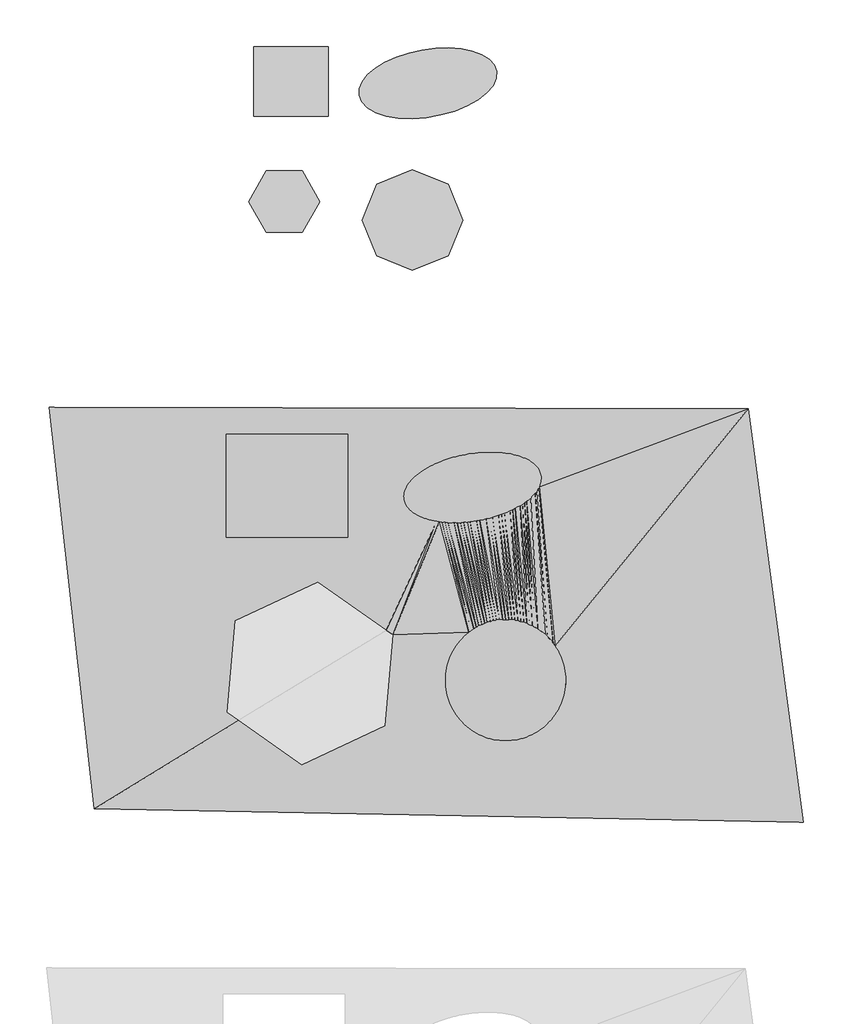
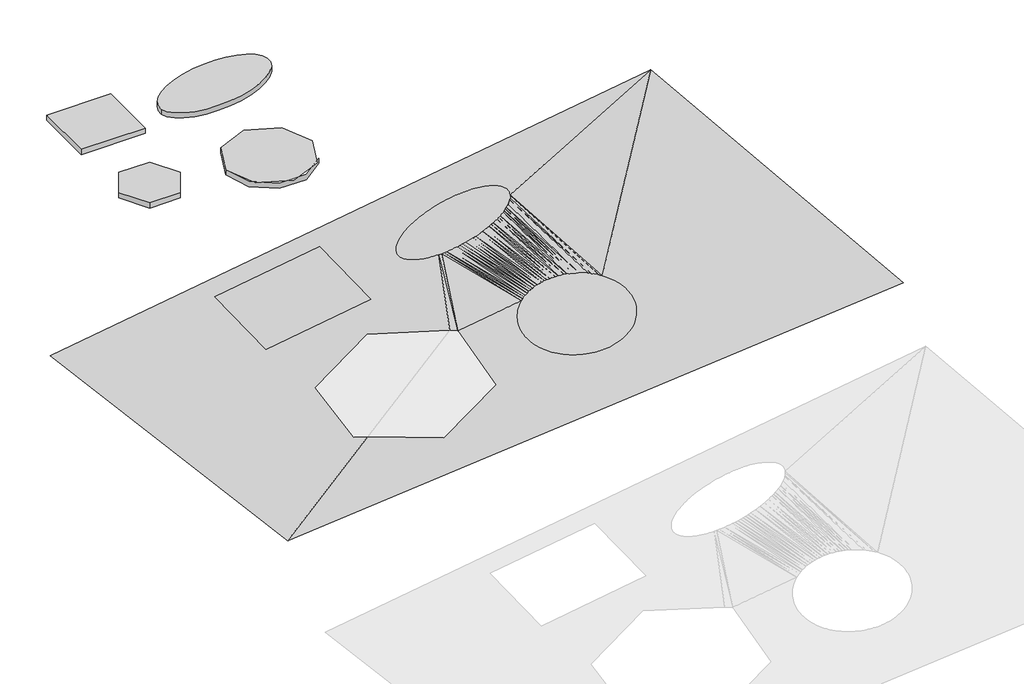
# Not in any storey, part 3 of 3: 6 proxies, 2 geographic elements.
"""IFC4 building model written with IfcOpenShell, lengths in millimetres."""

import ifcopenshell
import ifcopenshell.guid

model = None  # the IFC model being written
_history = None  # IfcOwnerHistory: only IFC2X3 demands one
_inside = {}  # id of a spatial element -> (the spatial element, [elements in it])
_under = {}  # id of a project, library or spatial element -> (it, [spatial elements below it])
_declared = {}  # id of a project -> (the project, [libraries it declares])
_typed = {}  # id of a type object -> (the type object, [elements of that type])
_made_of = {}  # id of a material, layer set ... -> (it, [elements and type objects made of it])


def new_model(schema):
    """Start an empty IFC model of exactly this schema.

    Asked for "IFC4X3", IfcOpenShell would pick the latest addendum, in which some entities
    have other attributes; the version numbers below select the first issue.
    IFC2X3 requires an IfcOwnerHistory on every rooted entity: one is made here for all.
    """
    global model, _history
    if schema == "IFC4X3":
        model = ifcopenshell.file(schema_version=(4, 3, 0, 0))
    else:
        model = ifcopenshell.file(schema=schema)
    _inside.clear()
    _under.clear()
    _declared.clear()
    _typed.clear()
    _made_of.clear()
    _history = None
    if model.schema == "IFC2X3":
        org = make("IfcOrganization", Name="unknown")
        user = make(
            "IfcPersonAndOrganization",
            ThePerson=make("IfcPerson", FamilyName="unknown"),
            TheOrganization=org,
        )
        app = make(
            "IfcApplication",
            ApplicationDeveloper=org,
            Version="unknown",
            ApplicationFullName="unknown",
            ApplicationIdentifier="unknown",
        )
        _history = make(
            "IfcOwnerHistory",
            OwningUser=user,
            OwningApplication=app,
            ChangeAction="ADDED",
            CreationDate=0,
        )
    return model


def make(cls, **values):
    """One entity of the class cls with the attributes given. An attribute that is None is left unset."""
    return model.create_entity(
        cls, **{name: value for name, value in values.items() if value is not None}
    )


def rooted(cls, **values):
    """An entity with a GlobalId (a new one), such as an element, a storey or a relation."""
    return make(cls, GlobalId=ifcopenshell.guid.new(), OwnerHistory=_history, **values)


def si_unit(unit_type, name, prefix=None):
    """IfcSIUnit, for example si_unit("LENGTHUNIT", "METRE", prefix="MILLI")."""
    return make("IfcSIUnit", UnitType=unit_type, Prefix=prefix, Name=name)


def assignment(units):
    """IfcUnitAssignment: the units of a project."""
    return None if units is None else make("IfcUnitAssignment", Units=units)


def point(xyz):
    """IfcCartesianPoint."""
    return None if xyz is None else make("IfcCartesianPoint", Coordinates=xyz)


def direction(xyz):
    """IfcDirection."""
    return None if xyz is None else make("IfcDirection", DirectionRatios=xyz)


def frame(location, z_axis=None, x_axis=None):
    """IfcAxis2Placement3D, a coordinate frame: its origin and axes. An axis left out is left unset."""
    return make(
        "IfcAxis2Placement3D",
        Location=point(location),
        Axis=direction(z_axis),
        RefDirection=direction(x_axis),
    )


def frame_2d(location, x_axis=None):
    """IfcAxis2Placement2D, a coordinate frame in the plane: its origin and x axis."""
    return make(
        "IfcAxis2Placement2D", Location=point(location), RefDirection=direction(x_axis)
    )


def origin():
    """The frame at (0, 0, 0) with its axes left unset."""
    return frame((0.0, 0.0, 0.0))


def origin_with_axes():
    """The frame at (0, 0, 0) with the z axis (0, 0, 1) and the x axis (1, 0, 0) written out."""
    return frame((0.0, 0.0, 0.0), z_axis=(0.0, 0.0, 1.0), x_axis=(1.0, 0.0, 0.0))


def place(relative_to, where):
    """IfcLocalPlacement: puts the frame where relative to a parent placement (None: the world)."""
    return make(
        "IfcLocalPlacement", PlacementRelTo=relative_to, RelativePlacement=where
    )


def context(
    kind, dimensions, precision=None, world=None, true_north=None, identifier=None
):
    """IfcGeometricRepresentationContext, for example the 3D "Model" context."""
    return make(
        "IfcGeometricRepresentationContext",
        ContextIdentifier=identifier,
        ContextType=kind,
        CoordinateSpaceDimension=dimensions,
        Precision=precision,
        WorldCoordinateSystem=world,
        TrueNorth=true_north,
    )


def project(units=None, contexts=None):
    """IfcProject with its units and contexts."""
    return rooted(
        "IfcProject",
        Name="project",
        RepresentationContexts=contexts,
        UnitsInContext=assignment(units),
    )


def spatial(cls, under=None, at=None, **own):
    """A site, building, storey or space (cls), placed at a placement, below another one or the project."""
    s = rooted(cls, ObjectPlacement=at, **own)
    if under is not None:
        _under.setdefault(under.id(), (under, []))[1].append(s)
    return s


def polyline(points):
    """IfcPolyline through the points."""
    return make("IfcPolyline", Points=[point(p) for p in points])


def point_list(points):
    """IfcCartesianPointList2D or 3D."""
    cls = (
        "IfcCartesianPointList2D" if len(points[0]) == 2 else "IfcCartesianPointList3D"
    )
    return make(cls, CoordList=points)


def circle_curve(where, radius):
    """IfcCircle in the frame where."""
    return make("IfcCircle", Position=where, Radius=radius)


def ellipse_curve(where, semi_axis1, semi_axis2):
    """IfcEllipse in the frame where."""
    return make(
        "IfcEllipse", Position=where, SemiAxis1=semi_axis1, SemiAxis2=semi_axis2
    )


def trimmed(basis, trim1, trim2, sense, master):
    """IfcTrimmedCurve: the piece of a basis curve between two trims."""
    return make(
        "IfcTrimmedCurve",
        BasisCurve=basis,
        Trim1=trim1,
        Trim2=trim2,
        SenseAgreement=sense,
        MasterRepresentation=master,
    )


def segment(curve, same_sense, transition):
    """IfcCompositeCurveSegment."""
    return make(
        "IfcCompositeCurveSegment",
        Transition=transition,
        SameSense=same_sense,
        ParentCurve=curve,
    )


def composite_curve(segments, self_intersect=None):
    """IfcCompositeCurve: segments joined end to end."""
    return make("IfcCompositeCurve", Segments=segments, SelfIntersect=self_intersect)


def outline(outer, holes=None, kind="AREA"):
    """IfcArbitraryClosedProfileDef: a profile drawn as a closed curve; with holes, ...WithVoids."""
    if holes is None:
        return make("IfcArbitraryClosedProfileDef", ProfileType=kind, OuterCurve=outer)
    return make(
        "IfcArbitraryProfileDefWithVoids",
        ProfileType=kind,
        OuterCurve=outer,
        InnerCurves=holes,
    )


def extrude(swept, where, along, depth):
    """IfcExtrudedAreaSolid: the profile swept, set in the frame where, extruded along a direction by depth."""
    return make(
        "IfcExtrudedAreaSolid",
        SweptArea=swept,
        Position=where,
        ExtrudedDirection=direction(along),
        Depth=depth,
    )


def triangles(points, corners, closed=None, point_numbers=None):
    """IfcTriangulatedFaceSet: each triangle names its three corners, points numbered from 1."""
    return make(
        "IfcTriangulatedFaceSet",
        Coordinates=point_list(points),
        Closed=closed,
        CoordIndex=corners,
        PnIndex=point_numbers,
    )


def shape(context_of_items, identifier, shape_type, items):
    """IfcShapeRepresentation: the items that make up one representation, for example the "Body"."""
    return make(
        "IfcShapeRepresentation",
        ContextOfItems=context_of_items,
        RepresentationIdentifier=identifier,
        RepresentationType=shape_type,
        Items=items,
    )


def source(mapping_origin, context_of_items, identifier, shape_type, items):
    """IfcRepresentationMap: a shape defined once, which mapped items show again and again."""
    return make(
        "IfcRepresentationMap",
        MappingOrigin=mapping_origin,
        MappedRepresentation=shape(context_of_items, identifier, shape_type, items),
    )


def transform(
    local_origin,
    x_axis=None,
    y_axis=None,
    z_axis=None,
    scale=None,
    scale2=None,
    scale3=None,
    uniform=True,
):
    """IfcCartesianTransformationOperator3D, or its non-uniform kind. x_axis, y_axis, z_axis: its Axis1, 2, 3."""
    if uniform:
        return make(
            "IfcCartesianTransformationOperator3D",
            Axis1=direction(x_axis),
            Axis2=direction(y_axis),
            LocalOrigin=point(local_origin),
            Scale=scale,
            Axis3=direction(z_axis),
        )
    return make(
        "IfcCartesianTransformationOperator3DnonUniform",
        Axis1=direction(x_axis),
        Axis2=direction(y_axis),
        LocalOrigin=point(local_origin),
        Scale=scale,
        Axis3=direction(z_axis),
        Scale2=scale2,
        Scale3=scale3,
    )


def mapped(mapping_source, mapping_target):
    """IfcMappedItem: shows the shape of a source again, moved by a transform."""
    return make(
        "IfcMappedItem", MappingSource=mapping_source, MappingTarget=mapping_target
    )


def made_of(thing, what):
    """Note that an element or type object is made of a material, layer set ...; save() writes the relation."""
    if what is not None:
        _made_of.setdefault(what.id(), (what, []))[1].append(thing)
    return thing


def element(
    cls,
    number,
    at=None,
    inside=None,
    cuts=None,
    type_object=None,
    material=None,
    context=None,
    identifier="Body",
    shape_type=None,
    held_by="IfcProductDefinitionShape",
    body=None,
    shapes=None,
    **own,
):
    """One element of the class cls, such as IfcWall. Its Tag is "e" and its number.

    at: its placement. inside: the storey or other place that contains it. cuts: it is an
    opening in that element (IfcRelVoidsElement). A single representation is given by context,
    identifier, shape_type and body (its items); several are given by shapes. held_by: the class
    of the entity that holds the representations. save() writes the other relations.
    """
    e = rooted(cls, Tag="e%d" % number, ObjectPlacement=at, **own)
    if body is not None:
        shapes = [shape(context, identifier, shape_type, body)]
    if shapes is not None:
        e.Representation = make(held_by, Representations=shapes)
    if inside is not None:
        _inside.setdefault(inside.id(), (inside, []))[1].append(e)
    if cuts is not None:
        rooted(
            "IfcRelVoidsElement", RelatingBuildingElement=cuts, RelatedOpeningElement=e
        )
    if type_object is not None:
        _typed.setdefault(type_object.id(), (type_object, []))[1].append(e)
    return made_of(e, material)


def aggregate(whole, parts):
    """IfcRelAggregates: a whole, such as a stair, and the parts it consists of."""
    return rooted("IfcRelAggregates", RelatingObject=whole, RelatedObjects=parts)


def save(model, path):
    """Write the relations noted so far, then the file.

    IfcRelAggregates (storeys below a building ...), IfcRelContainedInSpatialStructure (elements
    in a storey), IfcRelDefinesByType, IfcRelAssociatesMaterial and IfcRelDeclares: one each for
    every whole, place, type object, material and project.
    """
    for whole, parts in _under.values():
        aggregate(whole, parts)
    for where, things in _inside.values():
        rooted(
            "IfcRelContainedInSpatialStructure",
            RelatedElements=things,
            RelatingStructure=where,
        )
    for kind, things in _typed.values():
        rooted("IfcRelDefinesByType", RelatedObjects=things, RelatingType=kind)
    for what, things in _made_of.values():
        rooted("IfcRelAssociatesMaterial", RelatedObjects=things, RelatingMaterial=what)
    for by, libraries in _declared.values():
        rooted("IfcRelDeclares", RelatingContext=by, RelatedDefinitions=libraries)
    model.write(path)


def plane_surface(at):
    """IfcPlane: the flat surface through the origin of the frame at, square to its z axis."""
    return make("IfcPlane", Position=at)


def extruded_surface(curve, direction_of_extrusion, depth):
    """IfcSurfaceOfLinearExtrusion: the curve pushed along a direction by depth."""
    return make(
        "IfcSurfaceOfLinearExtrusion",
        SweptCurve=make("IfcArbitraryOpenProfileDef", ProfileType="CURVE", Curve=curve),
        ExtrudedDirection=direction(direction_of_extrusion),
        Depth=depth,
    )


def advanced_brep(points, edges, surfaces, faces):
    """IfcAdvancedBrep: a solid bounded by faces that lie on surfaces and meet in shared edges.

    An edge is (start, end): straight between two places in points (the first is 0);
    or (start, end, curve); or (start, end, curve, False) where it runs against its curve.
    A face is (place in surfaces, loops), or (place, loops, False) where it looks against
    its surface's normal. A loop lists edges by number (the first is 1), with a minus sign
    where the edge is run from its end to its start. The first loop is the outer one.
    """
    corners = [point(p) for p in points]
    vertices = [make("IfcVertexPoint", VertexGeometry=c) for c in corners]
    made = []
    for start, end, *more in edges:
        made.append(
            make(
                "IfcEdgeCurve",
                EdgeStart=vertices[start],
                EdgeEnd=vertices[end],
                EdgeGeometry=more[0] if more else make("IfcPolyline", Points=[corners[start], corners[end]]),
                SameSense=more[1] if len(more) > 1 else True,
            )
        )
    hull = []
    for where, loops, *sense in faces:
        bounds = []
        for j, loop in enumerate(loops):
            ring = [make("IfcOrientedEdge", EdgeElement=made[abs(k) - 1], Orientation=k > 0) for k in loop]
            bounds.append(
                make(
                    "IfcFaceOuterBound" if j == 0 else "IfcFaceBound",
                    Bound=make("IfcEdgeLoop", EdgeList=ring),
                    Orientation=True,
                )
            )
        hull.append(make("IfcAdvancedFace", Bounds=bounds, FaceSurface=surfaces[where], SameSense=sense[0] if sense else True))
    return make("IfcAdvancedBrep", Outer=make("IfcClosedShell", CfsFaces=hull))


def generic_models_edd80eac(model_context):
    return source(origin(), model_context, "Body", "SweptSolid", [
        extrude(outline(polyline([(231497.4105811, 220873.9561547), (242997.4105811, 200955.3718676), (231497.4105811, 181036.7875806), (208497.4105811, 181036.7875806), (196997.4105811, 200955.3718676), (208497.4105811, 220873.9561547), (231497.4105811, 220873.9561547)])), origin_with_axes(), (0.0, 0.0, 1.0), 4000.0),
    ])


def generic_models_cbb0d283(model_context):
    return source(origin(), model_context, "Body", "SweptSolid", [
        extrude(outline(composite_curve([segment(trimmed(circle_curve(frame_2d((302578.64399, 189042.1903095)), 32451.7414879), [point((270126.9025021, 189042.1903095))], [point((335030.3854778, 189042.1903095))], False, "CARTESIAN"), True, "CONTINUOUS"), segment(trimmed(circle_curve(frame_2d((302578.64399, 189042.1903095)), 32451.7414879), [point((335030.3854778, 189042.1903095))], [point((270126.9025021, 189042.1903095))], False, "CARTESIAN"), True, "CONTINUOUS")], self_intersect=False)), origin_with_axes(), (0.0, 0.0, 1.0), 4000.0),
    ])


def generic_models_ac164f7c(model_context):
    return source(origin(), model_context, "Body", "AdvancedBrep", [
        advanced_brep(
        [(356798.4629673, 284942.998555, 4000.0), (268165.7651962, 269314.662565, 4000.0), (356798.4629673, 284942.998555, 0.0), (268165.7651962, 269314.662565, 0.0)],
        [
            (0, 1, ellipse_curve(frame((312482.1140817, 277128.83056, 4000.0), z_axis=(0.0, 0.0, 1.0), x_axis=(-0.9848077530122081, -0.17364817766693005, 0.0)), 45000.0, 21708.2255166)),
            (1, 0, ellipse_curve(frame((312482.1140817, 277128.83056, 4000.0), z_axis=(0.0, 0.0, 1.0), x_axis=(-0.9848077530122081, -0.17364817766693005, 0.0)), 45000.0, 21708.2255166)),
            (2, 3, ellipse_curve(frame((312482.1140817, 277128.83056, 0.0), z_axis=(0.0, 0.0, -1.0), x_axis=(-0.9848077530122081, -0.17364817766693005, 0.0)), 45000.0, 21708.2255166)),
            (3, 2, ellipse_curve(frame((312482.1140817, 277128.83056, 0.0), z_axis=(0.0, 0.0, -1.0), x_axis=(-0.9848077530122081, -0.17364817766693005, 0.0)), 45000.0, 21708.2255166)),
            (0, 2),
            (3, 1),
        ],
        [
            plane_surface(frame((268165.7651962, 269314.662565, 4000.0), z_axis=(0.0, 0.0, 1.0), x_axis=(0.17364817766693005, -0.9848077530122081, 0.0))),
            plane_surface(frame((268165.7651962, 269314.662565, 0.0), z_axis=(0.0, 0.0, -1.0), x_axis=(-0.17364817766693005, 0.9848077530122081, 0.0))),
            extruded_surface(trimmed(ellipse_curve(frame((312482.1140817, 277128.83056, -4000.0), z_axis=(0.0, 0.0, 1.0), x_axis=(-0.9848077530122081, -0.17364817766693005, 0.0)), 45000.0, 21708.2255166), [point((356798.4629673, 284942.998555, -4000.0))], [point((268165.7651962, 269314.662565, -4000.0))], True, "CARTESIAN"), (0.0, 0.0, 4000.0), 4000.0),
            extruded_surface(trimmed(ellipse_curve(frame((312482.1140817, 277128.83056, -4000.0), z_axis=(0.0, 0.0, 1.0), x_axis=(-0.9848077530122081, -0.17364817766693005, 0.0)), 45000.0, 21708.2255166), [point((268165.7651962, 269314.662565, -4000.0))], [point((356798.4629673, 284942.998555, -4000.0))], True, "CARTESIAN"), (0.0, 0.0, 4000.0), 4000.0),
        ],
        [
            (0, [[1, 2]]),
            (1, [[3, 4]]),
            (2, [[-1, 5, -4, 6]]),
            (3, [[-2, -6, -3, -5]]),
        ],
    ),
    ])


def geographic_element_76014547(model_context):
    return source(origin(), model_context, "Body", "SweptSolid", [
        extrude(outline(polyline([(248279.9858161, 300750.4017671), (248279.9858161, 255750.4017671), (200279.9858161, 255750.4017671), (200279.9858161, 300750.4017671), (248279.9858161, 300750.4017671)])), origin_with_axes(), (0.0, 0.0, 1.0), 4000.0),
    ])


model = new_model("IFC4")

# Units and contexts
model_context = context("Model", 3, world=origin())
ifc_project = project(units=[si_unit("LENGTHUNIT", "METRE", prefix="MILLI")], contexts=[model_context])

# Site, building
site = spatial("IfcSite", under=ifc_project)
building = spatial("IfcBuilding", under=site)

# Proxies
placement = place(None, origin())
element("IfcBuildingElementProxy", 1, Name="Building Element Proxy", at=placement, inside=building, context=model_context, shape_type="Tessellation", body=[
    triangles([(68778.4018433, 68462.9559814, 0.0), (97622.9621338, -190176.6522949, 0.0), (554328.5830078, -198830.0217773, 49999.9992188), (518753.6381836, 67501.4704834, 70000.0016968), (261222.8273438, 51441.2321777, 29649.1995483), (261222.8273438, -15558.7689148, 28486.528656), (182222.8308105, -15558.7689148, 16194.03479), (182222.8308105, 51441.2321777, 17356.7056824), (241677.7505859, -44292.9940796, 24946.6586792), (285684.6458496, -75106.9504395, 31259.4593994), (289917.3921387, -78070.7509277, 31463.493457), (284784.8124023, -136736.3886475, 25616.1131653), (231412.5911133, -161624.2555664, 17443.4213196), (190782.6246094, -133174.8479004, 15484.9234222), (183172.9495605, -127846.5033691, 14393.3133087), (188305.5292969, -69180.8656494, 16209.9907928), (323553.6459961, -107345.9407471, 32570.1282349), (323603.7266602, -105370.619458, 32753.3658875), (323753.7454102, -103400.3769287, 32947.2633545), (324003.4045898, -101440.2547119, 33151.3229919), (324351.9972656, -99495.3036621, 33365.0215759), (324798.6304688, -97570.490918, 33587.8103027), (325342.2251953, -95670.7836182, 33819.1194397), (325981.3303711, -93801.0372803, 34058.3513489), (326714.3088867, -91966.0609131, 34304.8944397), (327539.2631836, -90170.5705078, 34558.1161926), (328454.146875, -88419.1611328, 34817.3654846), (329456.5415039, -86716.3441406, 35081.97724), (330543.8797852, -85066.4820557, 35351.270105), (331713.4083984, -83473.8071777, 35624.5557495), (332962.0763672, -81942.4122803, 35901.1318909), (334286.7210938, -80476.2320068, 36180.28927), (335683.9567383, -79079.0242676, 36461.3093262), (337150.1370117, -77754.3748901, 36743.4711731), (338681.5040039, -76505.6883179, 37026.0515991), (340274.1881836, -75336.1690063, 37308.3250671), (341924.0595703, -74248.8167725, 37589.56604), (343626.8765625, -73246.4221436, 37869.0536316), (345378.2859375, -72331.5663574, 38146.069281), (347173.7856445, -71506.5888062, 38419.9014038), (349008.7620117, -70773.6102905, 38689.8500427), (350878.4897461, -70134.5097656, 38955.2198914), (352778.2063477, -69590.9336426, 39215.3272705), (354703.0004883, -69144.2725342, 39469.5117554), (356647.9608398, -68795.6752075, 39717.1152466), (358608.1016602, -68546.0392822, 39957.5005737), (360578.3255859, -68395.9972778, 40190.0584717), (362553.646875, -68345.9398682, 40414.1843262), (364528.9681641, -68395.9972778, 40629.3060791), (366499.2292969, -68546.0392822, 40834.8702759), (368459.3329102, -68795.6752075, 41030.3513672), (370404.2932617, -69144.2725342, 41215.2424072), (372329.0874023, -69590.9336426, 41389.0736572), (374228.8040039, -70134.5097656, 41551.3986328), (376098.5689453, -70773.6102905, 41701.8034058), (377933.5453125, -71506.5888062, 41839.8926514), (379729.0078125, -72331.5663574, 41965.3222046), (381480.4171875, -73246.4221436, 42077.761853), (383183.2341797, -74248.8167725, 42176.9278931), (384833.1055664, -75336.1690063, 42262.5598755), (386425.7897461, -76505.6883179, 42334.4485107), (387957.1939453, -77754.3748901, 42392.3984619), (389423.3742187, -79079.0242676, 42436.2702026), (390820.5726563, -80476.2320068, 42465.9428101), (392145.2173828, -81942.4122803, 42481.346521), (393393.9225586, -83473.8071777, 42482.4394775), (394563.4139648, -85066.4820557, 42469.2170288), (395650.7894531, -86716.3441406, 42441.7163818), (396653.184082, -88419.1611328, 42400.0026489), (397568.0305664, -90170.5705078, 42344.1874512), (398393.0220703, -91966.0609131, 42274.4149658), (399126.0005859, -93801.0372803, 42190.8665771), (399765.0685547, -95670.7836182, 42093.7469238), (400308.6632812, -97570.490918, 41983.3118042), (400755.3336914, -99495.3036621, 41859.8449219), (401103.9263672, -101440.2547119, 41723.6625366), (401353.5483398, -103400.3769287, 41575.1134644), (401503.6042969, -105370.619458, 41414.583728), (401553.6477539, -107345.9407471, 41242.4779541), (401503.6042969, -109321.2620361, 41059.2379761), (401353.5483398, -111291.5045654, 40865.3428345), (401103.9263672, -113251.6267822, 40661.2808716), (400755.3336914, -115196.5871338, 40447.5822876), (400308.6632812, -117121.3905762, 40224.7958862), (399765.0685547, -119021.1071777, 39993.4844238), (399126.0005859, -120890.8442139, 39754.2525146), (398393.0220703, -122725.8205811, 39507.7094238), (397568.0305664, -124521.3109863, 39254.4876709), (396653.184082, -126272.7203613, 38995.2407043), (395650.7894531, -127975.5373535, 38730.628949), (394563.4139648, -129625.3994385, 38461.3337585), (393393.9225586, -131218.0743164, 38188.048114), (392145.2173828, -132749.4692139, 37911.4719727), (390820.5726563, -134215.6494873, 37632.3169189), (389423.3742187, -135612.8572266, 37351.2968628), (387957.1939453, -136937.5112549, 37069.1326904), (386425.7897461, -138186.1978271, 36786.5522644), (384833.1055664, -139355.7171387, 36504.2811218), (383183.2341797, -140443.0647217, 36223.0401489), (381480.4171875, -141445.4593506, 35943.5525574), (379729.0078125, -142360.3151367, 35666.536908), (377933.5453125, -143185.2973389, 35392.7024597), (376098.5689453, -143918.2758545, 35122.7561462), (374228.8040039, -144557.3717285, 34857.3862976), (372329.0874023, -145100.9478516, 34597.276593), (370404.2932617, -145547.60896, 34343.0944336), (368459.3329102, -145896.2109375, 34095.4909424), (366499.2292969, -146145.8422119, 33855.1032898), (364528.9681641, -146295.8888672, 33622.5477173), (362553.646875, -146345.941626, 33398.4218628), (360578.3255859, -146295.8888672, 33183.3001099), (358608.1016602, -146145.8422119, 32977.7359131), (356647.9608398, -145896.2109375, 32782.2571472), (354703.0004883, -145547.60896, 32597.3637817), (352778.2063477, -145100.9478516, 32423.5302063), (350878.4897461, -144557.3717285, 32261.2052307), (349008.7620117, -143918.2758545, 32110.8027832), (347173.7856445, -143185.2973389, 31972.7112122), (345378.2859375, -142360.3151367, 31847.2863098), (343626.8765625, -141445.4593506, 31734.8443359), (341924.0595703, -140443.0647217, 31635.6806213), (340274.1881836, -139355.7171387, 31550.043988), (338681.5040039, -138186.1978271, 31478.1576782), (337150.1370117, -136937.5112549, 31420.2054016), (335683.9567383, -135612.8572266, 31376.3359863), (334286.7210938, -134215.6494873, 31346.6610535), (332962.0763672, -132749.4692139, 31331.2573425), (331713.4083984, -131218.0743164, 31330.1667114), (330543.8797852, -129625.3994385, 31343.3891602), (329456.5415039, -127975.5373535, 31370.8898071), (328454.146875, -126272.7203613, 31412.6012146), (327539.2631836, -124521.3109863, 31468.4164124), (326714.3088867, -122725.8205811, 31538.1888977), (325981.3303711, -120890.8442139, 31621.7419373), (325342.2251953, -119021.1071777, 31718.8592651), (324798.6304688, -117121.3905762, 31829.2920593), (324351.9972656, -115196.5871338, 31952.7589417), (324003.4045898, -113251.6267822, 32088.9413269), (323753.7454102, -111291.5045654, 32237.4903992), (323603.7266602, -109321.2620361, 32398.0224609), (385584.2783203, 24648.8466248, 48535.0560791), (385712.2705078, 23638.2036621, 48537.4326782), (385742.5570313, 22612.6034729, 48524.3497559), (385675.0634766, 21574.3017334, 48495.8305664), (385509.9758789, 20525.5843506, 48451.9402222), (385247.6291016, 19468.7500214, 48392.7810425), (384888.58125, 18406.1276733, 48318.4739502), (384433.6880859, 17340.0497223, 48229.1910278), (383883.8797852, 16272.8613739, 48125.1183105), (383240.3841797, 15206.9078339, 48006.4929932), (382504.6523438, 14144.5331451, 47873.5755249), (381678.2469727, 13088.0708862, 47726.6542603), (380763.028418, 12039.8453339, 47566.0547607), (379760.9686523, 11002.1598358, 47392.1258423), (378674.3000977, 9977.2944855, 47205.2581787), (377505.4412109, 8967.5043777, 47005.8517456), (376256.8848633, 7975.0074005, 46794.3530273), (374931.421582, 7001.9865601, 46571.2271118), (373531.9535156, 6050.5795166, 46336.9576904), (372061.5688477, 5122.8780029, 46092.0656616), (370523.5045898, 4220.9220108, 45837.0905273), (368921.109375, 3346.6936867, 45572.5857422), (367257.9550781, 2502.1150063, 45299.1373169), (365537.6507813, 1689.0423969, 45017.3498657), (363763.9916016, 909.2630316, 44727.8326538), (361940.8842773, 164.4912678, 44431.2321533), (360072.347168, -543.6358214, 44128.1948364), (358162.4730469, -1213.5616087, 43819.3904297), (356215.4291016, -1843.8134731, 43505.4933105), (354235.5685547, -2433.0058525, 43187.19646), (352227.1702148, -2979.8436951, 42865.2021606), (350194.6989258, -3483.1251846, 42540.2126953), (348142.6195313, -3941.743412, 42212.9442993), (346075.396875, -4354.6905899, 41884.1178589), (343997.6074219, -4721.0589249, 41554.4542603), (341913.8276367, -5040.0435242, 41224.6836914), (339828.6339844, -5310.9421051, 40895.5223877), (337746.6029297, -5533.1599365, 40567.6958862), (335672.3109375, -5706.2086761, 40241.934375), (333610.2972656, -5829.7075333, 39918.9401367), (331565.1383789, -5903.3850128, 39599.4340576), (329541.3363281, -5927.0794968, 39284.1091187), (327543.281543, -5900.7386627, 38973.6676025), (325575.3644531, -5824.4200653, 38668.7885376), (323641.9754883, -5698.2922989, 38370.139325), (321747.35625, -5522.6320908, 38078.378064), (319895.5995117, -5297.8254639, 37794.1465759), (318090.8724609, -5024.3671555, 37518.0704041), (316337.0446289, -4702.8577103, 37250.756488), (314638.0599609, -4334.0040619, 36992.7908386), (312997.6019531, -3918.6172073, 36744.740863), (311419.2796875, -3457.6098816, 36507.1530396), (309906.5720215, -2951.9956856, 36280.550592), (308462.8089844, -2402.8863247, 36065.4265137), (307091.1717773, -1811.4884113, 35862.259845), (305794.6369629, -1179.1023022, 35671.4924194), (304576.0880859, -507.1179196, 35493.547467), (303438.2040527, 202.9874645, 35328.8133362), (302383.4777344, 949.6529354, 35177.6527954), (301414.2159668, 1731.2372051, 35040.3983826), (300532.5767578, 2546.0219193, 34917.3524048), (299740.4762695, 3392.2164894, 34808.784613), (299039.6632324, 4267.960128, 34714.9322021), (298431.6631348, 5171.3285339, 34636.0067871), (297917.8526367, 6100.3352005, 34572.1757996), (297499.3107422, 7052.9386826, 34523.5810913), (297176.9862305, 8027.0443405, 34490.331958), (296951.5860352, 9020.511026, 34472.5004883), (296823.6124512, 10031.1551514, 34470.1238892), (296793.3259277, 11056.7541779, 34483.209137), (296860.8194824, 12095.0547546, 34511.7283264), (297025.9070801, 13143.7744629, 34555.6163452), (297288.2724609, 14200.6076294, 34614.7778503), (297647.301709, 15263.2299774, 34689.0849426), (298102.2134766, 16329.3079285, 34778.3701904), (298652.0217773, 17396.4962769, 34882.4382568), (299295.4987793, 18462.4498169, 35001.0635742), (300031.2492187, 19524.8245056, 35133.9833679), (300857.6359863, 20581.2856018, 35280.9046326), (301772.8731445, 21629.5123169, 35441.5041321), (302774.9143066, 22667.1978149, 35615.4307251), (303861.5642578, 23692.0631653, 35802.3007141), (305030.4603516, 24701.8526917, 36001.7048218), (306278.9980957, 25694.3502502, 36213.20354), (307604.461377, 26667.3722534, 36436.331781), (309003.9294434, 27618.7792969, 36670.598877), (310474.3141113, 28546.4784851, 36915.4909058), (312012.3783691, 29448.4350586, 37170.4683655), (313614.7549805, 30322.663092, 37434.9731506), (315277.9464844, 31167.2417725, 37708.4192505), (316998.2507813, 31980.3153992, 37990.2113525), (318771.8727539, 32760.0957092, 38279.7239136), (320594.9800781, 33504.8665283, 38576.3267395), (322463.5543945, 34212.9930725, 38879.361731), (324373.4285156, 34882.9196228, 39188.1661377), (326320.4352539, 35513.1718506, 39502.0632568), (328300.3330078, 36102.3637939, 39820.3601074), (330308.6941406, 36649.2025085, 40142.3544067), (332341.2026367, 37152.4834167, 40467.3438721), (334393.2820313, 37611.1019348, 40794.6122681), (336460.5046875, 38024.048822, 41123.4387085), (338538.2569336, 38390.417157, 41453.1023071), (340622.0367188, 38709.4000122, 41782.8775269), (342707.2675781, 38980.2997559, 42112.0388306), (344789.2986328, 39202.51875, 42439.8606812), (346863.590625, 39375.5686523, 42765.6268433), (348925.5670898, 39499.0634399, 43088.6164307), (350970.7259766, 39572.7426636, 43408.1271606), (352994.5652344, 39596.4388916, 43723.4474487), (354992.6200195, 39570.0963135, 44033.8889648), (356960.4999023, 39493.7800415, 44338.7726807), (358893.8888672, 39367.6482056, 44637.4195679), (360788.5453125, 39191.9891602, 44929.1785034), (362640.2648437, 38967.1842773, 45213.4123169), (364445.0291016, 38693.7242249, 45489.4884888), (366198.8197266, 38372.2159424, 45756.8024048), (367897.8416016, 38003.3617126, 46014.7680542), (369538.2996094, 37587.9754395, 46262.8180298), (371116.584668, 37126.9686951, 46500.4035278), (372629.3109375, 36621.3530457, 46727.0083008), (374073.0553711, 36072.2447021, 46942.1300537), (375444.7297852, 35480.8459167, 47145.2990479), (376741.2459961, 34848.4589355, 47336.0641479), (377959.7762695, 34176.4766968, 47514.0114258), (379097.6789062, 33466.3712036, 47678.7455566), (380152.4238281, 32719.7051514, 47829.9084229), (381121.6669922, 31938.1203003, 47967.1605103), (382003.3248047, 31123.3351501, 48090.2088135), (382795.425293, 30277.1402893, 48198.7742798), (383496.2197266, 29401.3983948, 48292.6243652), (384104.2198242, 28498.0302795, 48371.5544312), (384618.0489258, 27569.0218689, 48435.3830933), (385036.5908203, 26616.4195496, 48483.9754761), (385358.878125, 25642.3138916, 48517.2246094)], [[2, 14, 15], [14, 2, 13], [132, 12, 131], [13, 117, 118], [11, 12, 17], [12, 140, 17], [17, 18, 11], [12, 139, 140], [2, 15, 16], [134, 135, 12], [132, 133, 12], [134, 12, 133], [137, 138, 12], [136, 137, 12], [139, 12, 138], [135, 136, 12], [12, 13, 118], [19, 11, 18], [16, 9, 7], [9, 10, 6], [11, 188, 10], [6, 7, 9], [10, 194, 6], [186, 36, 185], [187, 35, 186], [11, 35, 187], [2, 16, 1], [22, 11, 21], [24, 11, 23], [23, 11, 22], [25, 26, 11], [11, 24, 25], [184, 38, 183], [27, 11, 26], [37, 184, 185], [21, 11, 20], [19, 20, 11], [1, 16, 7], [129, 130, 12], [127, 128, 12], [129, 12, 128], [30, 11, 29], [29, 11, 28], [130, 131, 12], [120, 121, 12], [118, 119, 12], [120, 12, 119], [125, 126, 12], [123, 124, 12], [122, 123, 12], [125, 12, 124], [121, 122, 12], [127, 12, 126], [32, 11, 31], [34, 11, 33], [33, 11, 32], [39, 181, 182], [41, 179, 180], [180, 181, 40], [35, 11, 34], [11, 30, 31], [185, 36, 37], [182, 183, 38], [184, 37, 38], [39, 40, 181], [182, 38, 39], [179, 42, 178], [41, 180, 40], [177, 178, 42], [186, 35, 36], [28, 11, 27], [13, 2, 3], [208, 6, 207], [206, 6, 205], [206, 207, 6], [211, 6, 210], [6, 209, 210], [212, 6, 211], [209, 6, 208], [199, 6, 198], [197, 6, 196], [197, 198, 6], [204, 6, 203], [202, 6, 201], [201, 6, 200], [6, 202, 203], [200, 6, 199], [6, 204, 205], [212, 213, 5], [214, 215, 5], [213, 214, 5], [1, 8, 5], [8, 1, 7], [5, 216, 217], [216, 5, 215], [1, 5, 4], [212, 5, 6], [217, 218, 5], [219, 220, 5], [218, 219, 5], [221, 222, 5], [224, 225, 5], [223, 224, 5], [222, 223, 5], [220, 221, 5], [5, 225, 226], [6, 195, 196], [195, 6, 194], [191, 192, 10], [10, 193, 194], [226, 227, 5], [228, 229, 5], [227, 228, 5], [187, 188, 11], [43, 176, 177], [189, 190, 10], [45, 174, 175], [46, 173, 174], [175, 176, 44], [188, 189, 10], [191, 10, 190], [230, 231, 5], [232, 233, 5], [231, 232, 5], [234, 235, 5], [237, 238, 5], [236, 237, 5], [235, 236, 5], [233, 234, 5], [239, 240, 5], [241, 242, 5], [240, 241, 5], [243, 244, 5], [246, 247, 5], [245, 246, 5], [244, 245, 5], [242, 243, 5], [238, 239, 5], [229, 230, 5], [10, 192, 193], [5, 247, 248], [179, 41, 42], [113, 13, 112], [110, 111, 3], [13, 111, 112], [116, 117, 13], [115, 13, 114], [116, 13, 115], [114, 13, 113], [108, 109, 3], [106, 107, 3], [108, 3, 107], [104, 105, 3], [102, 103, 3], [101, 102, 3], [104, 3, 103], [106, 3, 105], [110, 3, 109], [55, 56, 160], [57, 58, 158], [56, 57, 159], [44, 176, 43], [53, 54, 163], [55, 162, 54], [99, 100, 3], [97, 98, 3], [99, 3, 98], [59, 60, 155], [153, 61, 62], [154, 60, 61], [97, 3, 96], [58, 59, 157], [101, 3, 100], [43, 177, 42], [94, 95, 3], [92, 93, 3], [94, 3, 93], [90, 91, 3], [88, 89, 3], [90, 3, 89], [92, 3, 91], [86, 87, 3], [85, 3, 84], [3, 85, 86], [87, 88, 3], [83, 84, 3], [81, 82, 3], [80, 81, 3], [83, 3, 82], [3, 79, 80], [95, 96, 3], [4, 67, 68], [4, 69, 70], [4, 68, 69], [151, 63, 64], [149, 65, 66], [150, 64, 65], [66, 67, 148], [76, 77, 3], [78, 79, 3], [77, 78, 3], [4, 71, 72], [74, 75, 3], [4, 73, 74], [4, 72, 73], [76, 3, 75], [4, 70, 71], [63, 152, 62], [13, 3, 111], [3, 4, 74], [45, 46, 174], [175, 44, 45], [46, 172, 173], [171, 172, 47], [48, 170, 171], [49, 168, 169], [169, 170, 49], [172, 46, 47], [50, 167, 168], [51, 52, 166], [50, 51, 167], [48, 49, 170], [48, 171, 47], [51, 166, 167], [168, 49, 50], [166, 52, 165], [52, 164, 165], [252, 253, 4], [254, 255, 4], [253, 254, 4], [250, 5, 249], [250, 251, 4], [250, 4, 5], [252, 4, 251], [164, 52, 53], [163, 54, 162], [53, 163, 164], [256, 257, 4], [258, 259, 4], [257, 258, 4], [55, 161, 162], [255, 256, 4], [160, 161, 55], [56, 159, 160], [58, 157, 158], [158, 159, 57], [59, 155, 156], [61, 153, 154], [154, 155, 60], [156, 157, 59], [63, 151, 152], [149, 66, 148], [150, 151, 64], [146, 147, 4], [144, 145, 4], [143, 144, 4], [146, 4, 145], [148, 4, 147], [152, 153, 62], [265, 266, 4], [267, 268, 4], [266, 267, 4], [260, 261, 4], [263, 264, 4], [262, 263, 4], [261, 262, 4], [265, 4, 264], [273, 274, 4], [141, 142, 4], [274, 141, 4], [269, 270, 4], [271, 272, 4], [4, 272, 273], [271, 4, 270], [269, 4, 268], [142, 143, 4], [260, 4, 259], [149, 150, 65], [4, 148, 67], [249, 5, 248]], closed=False),
])
element("IfcBuildingElementProxy", 2, Name="Building Element Proxy", at=placement, inside=building, context=model_context, shape_type="Tessellation", body=[
    triangles([(323553.6459961, -107345.9407471, 32570.1282349), (323603.7266602, -109321.2620361, 32398.0224609), (323753.7454102, -111291.5045654, 32237.4903992), (324003.4045898, -113251.6267822, 32088.9413269), (324351.9972656, -115196.5871338, 31952.7589417), (324798.6304688, -117121.3905762, 31829.2920593), (325342.2251953, -119021.1071777, 31718.8592651), (325981.3303711, -120890.8442139, 31621.7419373), (326714.3088867, -122725.8205811, 31538.1888977), (327539.2631836, -124521.3109863, 31468.4164124), (328454.146875, -126272.7203613, 31412.6012146), (329456.5415039, -127975.5373535, 31370.8898071), (330543.8797852, -129625.3994385, 31343.3891602), (331713.4083984, -131218.0743164, 31330.1667114), (332962.0763672, -132749.4692139, 31331.2573425), (334286.7210938, -134215.6494873, 31346.6610535), (335683.9567383, -135612.8572266, 31376.3359863), (337150.1370117, -136937.5112549, 31420.2054016), (338681.5040039, -138186.1978271, 31478.1576782), (340274.1881836, -139355.7171387, 31550.043988), (341924.0595703, -140443.0647217, 31635.6806213), (343626.8765625, -141445.4593506, 31734.8443359), (345378.2859375, -142360.3151367, 31847.2863098), (347173.7856445, -143185.2973389, 31972.7112122), (349008.7620117, -143918.2758545, 32110.8027832), (350878.4897461, -144557.3717285, 32261.2052307), (352778.2063477, -145100.9478516, 32423.5302063), (354703.0004883, -145547.60896, 32597.3637817), (356647.9608398, -145896.2109375, 32782.2571472), (358608.1016602, -146145.8422119, 32977.7359131), (360578.3255859, -146295.8888672, 33183.3001099), (362553.646875, -146345.941626, 33398.4218628), (364528.9681641, -146295.8888672, 33622.5477173), (366499.2292969, -146145.8422119, 33855.1032898), (368459.3329102, -145896.2109375, 34095.4909424), (370404.2932617, -145547.60896, 34343.0944336), (372329.0874023, -145100.9478516, 34597.276593), (374228.8040039, -144557.3717285, 34857.3862976), (376098.5689453, -143918.2758545, 35122.7561462), (377933.5453125, -143185.2973389, 35392.7024597), (379729.0078125, -142360.3151367, 35666.536908), (381480.4171875, -141445.4593506, 35943.5525574), (383183.2341797, -140443.0647217, 36223.0401489), (384833.1055664, -139355.7171387, 36504.2811218), (386425.7897461, -138186.1978271, 36786.5522644), (387957.1939453, -136937.5112549, 37069.1326904), (389423.3742187, -135612.8572266, 37351.2968628), (390820.5726563, -134215.6494873, 37632.3169189), (392145.2173828, -132749.4692139, 37911.4719727), (393393.9225586, -131218.0743164, 38188.048114), (394563.4139648, -129625.3994385, 38461.3337585), (395650.7894531, -127975.5373535, 38730.628949), (396653.184082, -126272.7203613, 38995.2407043), (397568.0305664, -124521.3109863, 39254.4876709), (398393.0220703, -122725.8205811, 39507.7094238), (399126.0005859, -120890.8442139, 39754.2525146), (399765.0685547, -119021.1071777, 39993.4844238), (400308.6632812, -117121.3905762, 40224.7958862), (400755.3336914, -115196.5871338, 40447.5822876), (401103.9263672, -113251.6267822, 40661.2808716), (401353.5483398, -111291.5045654, 40865.3428345), (401503.6042969, -109321.2620361, 41059.2379761), (401553.6477539, -107345.9407471, 41242.4779541), (401503.6042969, -105370.619458, 41414.583728), (401353.5483398, -103400.3769287, 41575.1134644), (401103.9263672, -101440.2547119, 41723.6625366), (400755.3336914, -99495.3036621, 41859.8449219), (400308.6632812, -97570.490918, 41983.3118042), (399765.0685547, -95670.7836182, 42093.7469238), (399126.0005859, -93801.0372803, 42190.8665771), (398393.0220703, -91966.0609131, 42274.4149658), (397568.0305664, -90170.5705078, 42344.1874512), (396653.184082, -88419.1611328, 42400.0026489), (395650.7894531, -86716.3441406, 42441.7163818), (394563.4139648, -85066.4820557, 42469.2170288), (393393.9225586, -83473.8071777, 42482.4394775), (392145.2173828, -81942.4122803, 42481.346521), (390820.5726563, -80476.2320068, 42465.9428101), (389423.3742187, -79079.0242676, 42436.2702026), (387957.1939453, -77754.3748901, 42392.3984619), (386425.7897461, -76505.6883179, 42334.4485107), (384833.1055664, -75336.1690063, 42262.5598755), (383183.2341797, -74248.8167725, 42176.9278931), (381480.4171875, -73246.4221436, 42077.761853), (379729.0078125, -72331.5663574, 41965.3222046), (377933.5453125, -71506.5888062, 41839.8926514), (376098.5689453, -70773.6102905, 41701.8034058), (374228.8040039, -70134.5097656, 41551.3986328), (372329.0874023, -69590.9336426, 41389.0736572), (370404.2932617, -69144.2725342, 41215.2424072), (368459.3329102, -68795.6752075, 41030.3513672), (366499.2292969, -68546.0392822, 40834.8702759), (364528.9681641, -68395.9972778, 40629.3060791), (362553.646875, -68345.9398682, 40414.1843262), (360578.3255859, -68395.9972778, 40190.0584717), (358608.1016602, -68546.0392822, 39957.5005737), (356647.9608398, -68795.6752075, 39717.1152466), (354703.0004883, -69144.2725342, 39469.5117554), (352778.2063477, -69590.9336426, 39215.3272705), (350878.4897461, -70134.5097656, 38955.2198914), (349008.7620117, -70773.6102905, 38689.8500427), (347173.7856445, -71506.5888062, 38419.9014038), (345378.2859375, -72331.5663574, 38146.069281), (343626.8765625, -73246.4221436, 37869.0536316), (341924.0595703, -74248.8167725, 37589.56604), (340274.1881836, -75336.1690063, 37308.3250671), (338681.5040039, -76505.6883179, 37026.0515991), (337150.1370117, -77754.3748901, 36743.4711731), (335683.9567383, -79079.0242676, 36461.3093262), (334286.7210938, -80476.2320068, 36180.28927), (332962.0763672, -81942.4122803, 35901.1318909), (331713.4083984, -83473.8071777, 35624.5557495), (330543.8797852, -85066.4820557, 35351.270105), (329456.5415039, -86716.3441406, 35081.97724), (328454.146875, -88419.1611328, 34817.3654846), (327539.2631836, -90170.5705078, 34558.1161926), (326714.3088867, -91966.0609131, 34304.8944397), (325981.3303711, -93801.0372803, 34058.3513489), (325342.2251953, -95670.7836182, 33819.1194397), (324798.6304688, -97570.490918, 33587.8103027), (324351.9972656, -99495.3036621, 33365.0215759), (324003.4045898, -101440.2547119, 33151.3229919), (323753.7454102, -103400.3769287, 32947.2633545), (323603.7266602, -105370.619458, 32753.3658875)], [[10, 4, 9], [14, 10, 11], [10, 14, 4], [13, 14, 11], [12, 13, 11], [14, 17, 4], [3, 4, 1], [1, 2, 3], [7, 9, 4], [9, 7, 8], [5, 6, 7], [4, 5, 7], [1, 84, 118], [14, 15, 16], [20, 25, 26], [25, 23, 24], [28, 26, 27], [30, 31, 28], [28, 29, 30], [31, 26, 28], [26, 33, 20], [18, 19, 17], [4, 74, 1], [17, 19, 20], [23, 25, 22], [20, 21, 22], [20, 22, 25], [4, 17, 20], [14, 16, 17], [20, 74, 4], [123, 121, 122], [123, 124, 1], [120, 121, 118], [118, 119, 120], [1, 121, 123], [118, 101, 111], [114, 116, 111], [114, 115, 116], [117, 118, 116], [112, 113, 111], [111, 113, 114], [111, 116, 118], [111, 109, 110], [121, 1, 118], [109, 111, 108], [103, 106, 107], [111, 107, 108], [105, 106, 104], [104, 106, 103], [103, 101, 102], [111, 103, 107], [100, 101, 99], [98, 99, 101], [101, 95, 98], [97, 98, 96], [96, 98, 95], [101, 90, 95], [111, 101, 103], [118, 90, 101], [92, 94, 95], [33, 26, 31], [38, 20, 33], [35, 33, 34], [35, 36, 38], [37, 38, 36], [35, 38, 33], [45, 20, 38], [40, 41, 38], [41, 44, 38], [44, 41, 42], [45, 38, 44], [20, 45, 74], [42, 43, 44], [38, 39, 40], [48, 45, 46], [45, 48, 54], [49, 50, 48], [51, 48, 50], [51, 52, 53], [54, 48, 53], [53, 48, 51], [74, 45, 54], [54, 56, 61], [57, 58, 56], [59, 56, 58], [60, 61, 56], [74, 54, 61], [56, 59, 60], [54, 55, 56], [46, 47, 48], [63, 61, 62], [84, 82, 83], [82, 84, 77], [82, 77, 80], [81, 82, 80], [77, 79, 80], [86, 84, 85], [90, 91, 92], [90, 118, 84], [92, 95, 90], [86, 87, 88], [88, 89, 86], [89, 90, 84], [86, 89, 84], [93, 94, 92], [63, 67, 68], [69, 70, 68], [74, 63, 68], [63, 64, 65], [66, 67, 65], [65, 67, 63], [68, 70, 74], [75, 76, 77], [75, 77, 74], [78, 79, 77], [72, 74, 70], [73, 74, 72], [77, 84, 74], [72, 70, 71], [74, 84, 1], [74, 61, 63], [33, 31, 32]], closed=False),
])
element("IfcBuildingElementProxy", 3, Name="Building Element Proxy", at=placement, inside=building, context=model_context, shape_type="Tessellation", body=[
    triangles([(385584.2783203, 24648.8466248, 48535.0560791), (385358.878125, 25642.3138916, 48517.2246094), (385036.5908203, 26616.4195496, 48483.9754761), (384618.0489258, 27569.0218689, 48435.3830933), (384104.2198242, 28498.0302795, 48371.5544312), (383496.2197266, 29401.3983948, 48292.6243652), (382795.425293, 30277.1402893, 48198.7742798), (382003.3248047, 31123.3351501, 48090.2088135), (381121.6669922, 31938.1203003, 47967.1605103), (380152.4238281, 32719.7051514, 47829.9084229), (379097.6789062, 33466.3712036, 47678.7455566), (377959.7762695, 34176.4766968, 47514.0114258), (376741.2459961, 34848.4589355, 47336.0641479), (375444.7297852, 35480.8459167, 47145.2990479), (374073.0553711, 36072.2447021, 46942.1300537), (372629.3109375, 36621.3530457, 46727.0083008), (371116.584668, 37126.9686951, 46500.4035278), (369538.2996094, 37587.9754395, 46262.8180298), (367897.8416016, 38003.3617126, 46014.7680542), (366198.8197266, 38372.2159424, 45756.8024048), (364445.0291016, 38693.7242249, 45489.4884888), (362640.2648437, 38967.1842773, 45213.4123169), (360788.5453125, 39191.9891602, 44929.1785034), (358893.8888672, 39367.6482056, 44637.4195679), (356960.4999023, 39493.7800415, 44338.7726807), (354992.6200195, 39570.0963135, 44033.8889648), (352994.5652344, 39596.4388916, 43723.4474487), (350970.7259766, 39572.7426636, 43408.1271606), (348925.5670898, 39499.0634399, 43088.6164307), (346863.590625, 39375.5686523, 42765.6268433), (344789.2986328, 39202.51875, 42439.8606812), (342707.2675781, 38980.2997559, 42112.0388306), (340622.0367188, 38709.4000122, 41782.8775269), (338538.2569336, 38390.417157, 41453.1023071), (336460.5046875, 38024.048822, 41123.4387085), (334393.2820313, 37611.1019348, 40794.6122681), (332341.2026367, 37152.4834167, 40467.3438721), (330308.6941406, 36649.2025085, 40142.3544067), (328300.3330078, 36102.3637939, 39820.3601074), (326320.4352539, 35513.1718506, 39502.0632568), (324373.4285156, 34882.9196228, 39188.1661377), (322463.5543945, 34212.9930725, 38879.361731), (320594.9800781, 33504.8665283, 38576.3267395), (318771.8727539, 32760.0957092, 38279.7239136), (316998.2507813, 31980.3153992, 37990.2113525), (315277.9464844, 31167.2417725, 37708.4192505), (313614.7549805, 30322.663092, 37434.9731506), (312012.3783691, 29448.4350586, 37170.4683655), (310474.3141113, 28546.4784851, 36915.4909058), (309003.9294434, 27618.7792969, 36670.598877), (307604.461377, 26667.3722534, 36436.331781), (306278.9980957, 25694.3502502, 36213.20354), (305030.4603516, 24701.8526917, 36001.7048218), (303861.5642578, 23692.0631653, 35802.3007141), (302774.9143066, 22667.1978149, 35615.4307251), (301772.8731445, 21629.5123169, 35441.5041321), (300857.6359863, 20581.2856018, 35280.9046326), (300031.2492187, 19524.8245056, 35133.9833679), (299295.4987793, 18462.4498169, 35001.0635742), (298652.0217773, 17396.4962769, 34882.4382568), (298102.2134766, 16329.3079285, 34778.3701904), (297647.301709, 15263.2299774, 34689.0849426), (297288.2724609, 14200.6076294, 34614.7778503), (297025.9070801, 13143.7744629, 34555.6163452), (296860.8194824, 12095.0547546, 34511.7283264), (296793.3259277, 11056.7541779, 34483.209137), (296823.6124512, 10031.1551514, 34470.1238892), (296951.5860352, 9020.511026, 34472.5004883), (297176.9862305, 8027.0443405, 34490.331958), (297499.3107422, 7052.9386826, 34523.5810913), (297917.8526367, 6100.3352005, 34572.1757996), (298431.6631348, 5171.3285339, 34636.0067871), (299039.6632324, 4267.960128, 34714.9322021), (299740.4762695, 3392.2164894, 34808.784613), (300532.5767578, 2546.0219193, 34917.3524048), (301414.2159668, 1731.2372051, 35040.3983826), (302383.4777344, 949.6529354, 35177.6527954), (303438.2040527, 202.9874645, 35328.8133362), (304576.0880859, -507.1179196, 35493.547467), (305794.6369629, -1179.1023022, 35671.4924194), (307091.1717773, -1811.4884113, 35862.259845), (308462.8089844, -2402.8863247, 36065.4265137), (309906.5720215, -2951.9956856, 36280.550592), (311419.2796875, -3457.6098816, 36507.1530396), (312997.6019531, -3918.6172073, 36744.740863), (314638.0599609, -4334.0040619, 36992.7908386), (316337.0446289, -4702.8577103, 37250.756488), (318090.8724609, -5024.3671555, 37518.0704041), (319895.5995117, -5297.8254639, 37794.1465759), (321747.35625, -5522.6320908, 38078.378064), (323641.9754883, -5698.2922989, 38370.139325), (325575.3644531, -5824.4200653, 38668.7885376), (327543.281543, -5900.7386627, 38973.6676025), (329541.3363281, -5927.0794968, 39284.1091187), (331565.1383789, -5903.3850128, 39599.4340576), (333610.2972656, -5829.7075333, 39918.9401367), (335672.3109375, -5706.2086761, 40241.934375), (337746.6029297, -5533.1599365, 40567.6958862), (339828.6339844, -5310.9421051, 40895.5223877), (341913.8276367, -5040.0435242, 41224.6836914), (343997.6074219, -4721.0589249, 41554.4542603), (346075.396875, -4354.6905899, 41884.1178589), (348142.6195313, -3941.743412, 42212.9442993), (350194.6989258, -3483.1251846, 42540.2126953), (352227.1702148, -2979.8436951, 42865.2021606), (354235.5685547, -2433.0058525, 43187.19646), (356215.4291016, -1843.8134731, 43505.4933105), (358162.4730469, -1213.5616087, 43819.3904297), (360072.347168, -543.6358214, 44128.1948364), (361940.8842773, 164.4912678, 44431.2321533), (363763.9916016, 909.2630316, 44727.8326538), (365537.6507813, 1689.0423969, 45017.3498657), (367257.9550781, 2502.1150063, 45299.1373169), (368921.109375, 3346.6936867, 45572.5857422), (370523.5045898, 4220.9220108, 45837.0905273), (372061.5688477, 5122.8780029, 46092.0656616), (373531.9535156, 6050.5795166, 46336.9576904), (374931.421582, 7001.9865601, 46571.2271118), (376256.8848633, 7975.0074005, 46794.3530273), (377505.4412109, 8967.5043777, 47005.8517456), (378674.3000977, 9977.2944855, 47205.2581787), (379760.9686523, 11002.1598358, 47392.1258423), (380763.028418, 12039.8453339, 47566.0547607), (381678.2469727, 13088.0708862, 47726.6542603), (382504.6523438, 14144.5331451, 47873.5755249), (383240.3841797, 15206.9078339, 48006.4929932), (383883.8797852, 16272.8613739, 48125.1183105), (384433.6880859, 17340.0497223, 48229.1910278), (384888.58125, 18406.1276733, 48318.4739502), (385247.6291016, 19468.7500214, 48392.7810425), (385509.9758789, 20525.5843506, 48451.9402222), (385675.0634766, 21574.3017334, 48495.8305664), (385742.5570313, 22612.6034729, 48524.3497559), (385712.2705078, 23638.2036621, 48537.4326782)], [[76, 60, 75], [75, 61, 74], [77, 59, 76], [56, 79, 80], [79, 57, 78], [78, 58, 77], [81, 55, 80], [69, 70, 67], [67, 68, 69], [67, 70, 66], [72, 73, 64], [65, 71, 72], [65, 70, 71], [74, 63, 73], [54, 81, 82], [45, 91, 92], [45, 90, 91], [44, 92, 93], [42, 94, 95], [95, 96, 41], [94, 43, 93], [40, 96, 97], [84, 85, 51], [52, 83, 84], [85, 86, 50], [46, 89, 90], [39, 97, 98], [87, 88, 48], [88, 89, 47], [87, 49, 86], [53, 82, 83], [38, 98, 99], [66, 70, 65], [65, 72, 64], [63, 64, 73], [74, 62, 63], [74, 61, 62], [60, 61, 75], [59, 60, 76], [77, 58, 59], [78, 57, 58], [57, 79, 56], [55, 56, 80], [81, 54, 55], [54, 82, 53], [53, 83, 52], [51, 52, 84], [50, 51, 85], [86, 49, 50], [87, 48, 49], [48, 88, 47], [46, 47, 89], [45, 46, 90], [45, 92, 44], [44, 93, 43], [42, 43, 94], [41, 42, 95], [96, 40, 41], [40, 97, 39], [38, 39, 98], [99, 37, 38], [37, 100, 36], [35, 36, 101], [102, 34, 35], [34, 102, 33], [37, 99, 100], [101, 102, 35], [103, 33, 102], [32, 33, 103], [104, 105, 31], [106, 30, 105], [104, 32, 103], [107, 29, 106], [108, 109, 28], [110, 26, 109], [26, 110, 111], [113, 24, 112], [23, 113, 114], [25, 111, 112], [28, 107, 108], [114, 115, 22], [116, 117, 20], [118, 19, 117], [18, 118, 119], [121, 16, 120], [15, 121, 122], [17, 119, 120], [14, 122, 123], [125, 12, 124], [11, 125, 126], [126, 127, 10], [8, 128, 129], [6, 130, 131], [129, 130, 6], [127, 128, 9], [123, 124, 13], [115, 116, 21], [4, 131, 132], [117, 19, 20], [22, 115, 21], [116, 20, 21], [31, 105, 30], [16, 17, 120], [17, 18, 119], [118, 18, 19], [32, 104, 31], [28, 29, 107], [27, 28, 109], [30, 106, 29], [23, 24, 113], [25, 26, 111], [112, 24, 25], [26, 27, 109], [114, 22, 23], [133, 3, 4], [4, 5, 131], [5, 6, 131], [133, 134, 2], [1, 2, 134], [133, 2, 3], [7, 129, 6], [13, 124, 12], [14, 123, 13], [15, 122, 14], [9, 128, 8], [11, 126, 10], [9, 10, 127], [12, 125, 11], [7, 8, 129], [15, 16, 121], [132, 133, 4], [101, 36, 100]], closed=False),
])
generic_models_shape = generic_models_edd80eac(model_context)
element("IfcBuildingElementProxy", 4, Name="Generic Models", at=placement, inside=building, context=model_context, shape_type="MappedRepresentation", body=[
    mapped(generic_models_shape, transform((0.0, 0.0, 0.0), x_axis=(1.0, 0.0, 0.0), y_axis=(0.0, 1.0, 0.0), z_axis=(0.0, 0.0, 1.0))),
])
generic_models_2_shape = generic_models_cbb0d283(model_context)
element("IfcBuildingElementProxy", 5, Name="Generic Models", at=placement, inside=building, context=model_context, shape_type="MappedRepresentation", body=[
    mapped(generic_models_2_shape, transform((0.0, 0.0, 0.0), x_axis=(1.0, 0.0, 0.0), y_axis=(0.0, 1.0, 0.0), z_axis=(0.0, 0.0, 1.0))),
])
generic_models_3_shape = generic_models_ac164f7c(model_context)
element("IfcBuildingElementProxy", 6, Name="Generic Models", at=placement, inside=building, context=model_context, shape_type="MappedRepresentation", body=[
    mapped(generic_models_3_shape, transform((0.0, 0.0, 0.0), x_axis=(1.0, 0.0, 0.0), y_axis=(0.0, 1.0, 0.0), z_axis=(0.0, 0.0, 1.0))),
])

# Geographic elements
element("IfcGeographicElement", 7, at=placement, inside=building, context=model_context, shape_type="Tessellation", body=[
    triangles([(261222.8273438, 51441.2321777, 29649.1995483), (182222.8308105, 51441.2321777, 17356.7056824), (182222.8308105, -15558.7689148, 16194.03479), (261222.8273438, -15558.7689148, 28486.528656)], [[2, 3, 4], [4, 1, 2]], closed=False),
])
geographic_element_shape = geographic_element_76014547(model_context)
element("IfcGeographicElement", 8, at=placement, inside=building, context=model_context, shape_type="MappedRepresentation", body=[
    mapped(geographic_element_shape, transform((0.0, 0.0, 0.0), x_axis=(1.0, 0.0, 0.0), y_axis=(0.0, 1.0, 0.0), z_axis=(0.0, 0.0, 1.0))),
])

save(model, "model.ifc")
